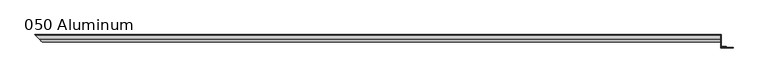
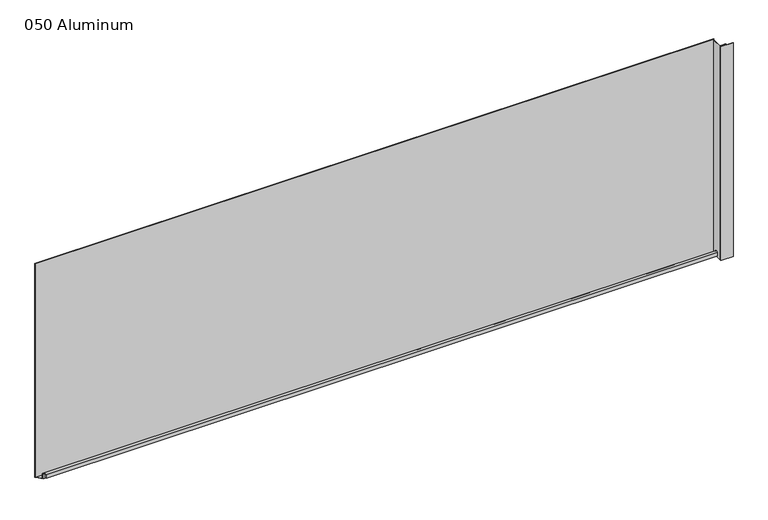
"""IFC4 building model written with IfcOpenShell, lengths in millimetres: plate geometry, 050 Aluminum."""

from ifc_helpers import new_model, si_unit, frame, origin, origin_with_axes, place, context, project, spatial, polyline, circle_curve, ellipse_curve, outline, extrude, source, transform, mapped, element, save
from ifc_brep_helpers import plane_surface, cylinder_surface, revolved_surface, advanced_brep


def plate_050_aluminum_8669a06d(model_context):
    return source(origin(), model_context, "Body", "SolidModel", [
        advanced_brep(
        [(906.7800002, 16.6765477, 13.1458337), (906.7800002, 16.6765477, 2.786437), (906.7800002, 17.9464915, 2.786437), (906.7800002, 17.9464915, 13.1323356), (906.7800002, 21.7564743, 13.124237), (906.7800002, 21.7564743, 0.0), (906.7800002, 34.7980002, 0.0), (906.7800002, 34.7980002, 1.2693678), (906.7800002, 23.0264743, 1.2693678), (906.7800002, 23.0264743, 13.124237), (-937.4265479, 16.6765477, 13.1458337), (-937.4265479, 16.6765477, 2.786437), (-938.6964916, 17.9464915, 2.786437), (-938.6964916, 17.9464915, 13.1323356), (-942.5064744, 21.7564743, 13.124237), (-942.5064744, 21.7564743, 0.0), (-955.5480002, 34.798, 0.0), (-955.5480003, 34.7980002, 1.2693678), (-943.7764744, 23.0264743, 1.2693678), (-943.7764744, 23.0264743, 13.124237)],
        [
            (0, 1),
            (1, 2),
            (2, 3),
            (3, 4, circle_curve(frame((906.7800002, 19.8514743, 13.124237), z_axis=(-1.0, 0.0, 0.0), x_axis=(0.0, 0.0, -1.0)), 1.905)),
            (4, 5),
            (5, 6),
            (6, 7),
            (7, 8),
            (8, 9),
            (9, 0, circle_curve(frame((906.7800002, 19.8514743, 13.124237), z_axis=(1.0, 0.0, 0.0), x_axis=(0.0, 0.0, -1.0)), 3.175)),
            (0, 10),
            (10, 11),
            (11, 1),
            (11, 12),
            (12, 2),
            (12, 13),
            (13, 3),
            (13, 14, ellipse_curve(frame((-940.6014744, 19.8514743, 13.124237), z_axis=(-0.7071067811865466, -0.7071067811865485, 0.0), x_axis=(0.7071067811865485, -0.7071067811865466, 0.0)), 2.6940768, 1.905)),
            (14, 4),
            (14, 15),
            (15, 5),
            (15, 16),
            (16, 6),
            (16, 17),
            (17, 7),
            (17, 18),
            (18, 8),
            (18, 19),
            (19, 9),
            (19, 10, ellipse_curve(frame((-940.6014744, 19.8514743, 13.124237), z_axis=(0.7071067811865466, 0.7071067811865485, 0.0), x_axis=(-0.7071067811865485, 0.7071067811865466, 0.0)), 4.4901281, 3.175)),
        ],
        [
            plane_surface(frame((906.7800002, 36.068, 0.0), z_axis=(1.0, 0.0, 0.0), x_axis=(0.0, 0.0, 1.0))),
            plane_surface(frame((-955.5480002, 16.6765477, 13.1458337), z_axis=(0.0, -1.0, 0.0), x_axis=(1.0, 0.0, 0.0))),
            plane_surface(frame((-955.5480002, 16.6765477, 2.786437), z_axis=(0.0, 0.0, -1.0), x_axis=(1.0, 0.0, 0.0))),
            plane_surface(frame((-955.5480002, 17.9464915, 2.786437), z_axis=(0.0, 1.0, 0.0), x_axis=(1.0, 0.0, 0.0))),
            revolved_surface(polyline([(906.7800002, 19.8514743, 11.219237000000001), (-942.5064744, 19.8514743, 11.219237000000001)]), (-955.5480002, 19.8514743, 13.124237), (1.0, 0.0, 0.0)),
            plane_surface(frame((-955.5480002, 21.7564743, 13.124237), z_axis=(0.0, -1.0, 0.0), x_axis=(1.0, 0.0, 0.0))),
            plane_surface(frame((-955.5480002, 21.7564743, 0.0), z_axis=(0.0, 0.0, -1.0), x_axis=(1.0, 0.0, 0.0))),
            plane_surface(frame((-955.5480002, 34.7980002, 0.0), z_axis=(0.0, 1.0, 0.0), x_axis=(1.0, 0.0, 0.0))),
            plane_surface(frame((-955.5480002, 34.7980002, 1.2693678), z_axis=(0.0, 0.0, 1.0), x_axis=(1.0, 0.0, 0.0))),
            plane_surface(frame((-955.5480002, 23.0264743, 1.2693678), z_axis=(0.0, 1.0, 0.0), x_axis=(1.0, 0.0, 0.0))),
            cylinder_surface(frame((-955.5480002, 19.8514743, 13.124237), z_axis=(-1.0, 0.0, 0.0), x_axis=(0.0, 0.0, -1.0)), 3.175),
            plane_surface(frame((-956.8180002, 36.068, 795.4549971), z_axis=(-0.7071067811865466, -0.7071067811865485, 0.0), x_axis=(0.0, 0.0, -1.0))),
        ],
        [
            (0, [[1, 2, 3, 4, 5, 6, 7, 8, 9, 10]]),
            (1, [[11, 12, 13, -1]]),
            (2, [[-13, 14, 15, -2]]),
            (3, [[-15, 16, 17, -3]]),
            (4, [[-17, 18, 19, -4]]),
            (5, [[-19, 20, 21, -5]]),
            (6, [[-21, 22, 23, -6]]),
            (7, [[-23, 24, 25, -7]]),
            (8, [[-25, 26, 27, -8]]),
            (9, [[-27, 28, 29, -9]]),
            (10, [[-29, 30, -11, -10]]),
            (11, [[-30, -28, -26, -24, -22, -20, -18, -16, -14, -12]]),
        ],
    ),
        extrude(outline(polyline([(908.0500002, 34.7980001), (-955.5480002, 34.7980001), (-956.8180002, 36.068), (908.0500002, 36.068), (908.0500002, 34.7980001)])), origin_with_axes(), (0.0, 0.0, 1.0), 622.3),
        extrude(outline(polyline([(908.0500002, 1.2699999), (940.5620858, 1.2699999), (940.5620858, 0.0), (906.7800002, 0.0), (906.7800002, 34.7980002), (908.0500002, 34.7980002), (908.0500002, 1.2699999)])), origin_with_axes(), (0.0, 0.0, 1.0), 621.03),
        extrude(outline(polyline([(906.7800002, 3.3274743), (922.5280001, 3.3274743), (922.5280001, 2.0574743), (906.7800002, 2.0574743), (906.7800002, 3.3274743)])), origin_with_axes(), (0.0, 0.0, 1.0), 622.3),
    ])


if __name__ == "__main__":
    model = new_model("IFC4")
    model_context = context("Model", 3, world=origin())
    ifc_project = project(units=[si_unit("LENGTHUNIT", "METRE", prefix="MILLI")], contexts=[model_context])
    site = spatial("IfcSite", under=ifc_project)
    building = spatial("IfcBuilding", under=site)
    placement = place(None, origin())
    plate_050_aluminum_shape = plate_050_aluminum_8669a06d(model_context)
    element("IfcPlate", 1, ObjectType="050 Aluminum", at=placement, inside=building, context=model_context, shape_type="MappedRepresentation", body=[
        mapped(plate_050_aluminum_shape, transform((0.0, 0.0, 0.0), x_axis=(1.0, 0.0, 0.0), y_axis=(0.0, 1.0, 0.0), z_axis=(0.0, 0.0, 1.0))),
    ])
    save(model, "model.ifc")
